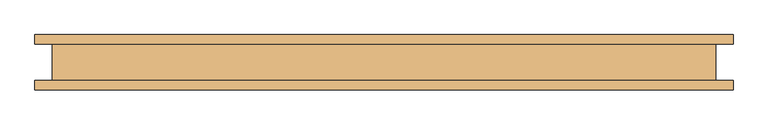
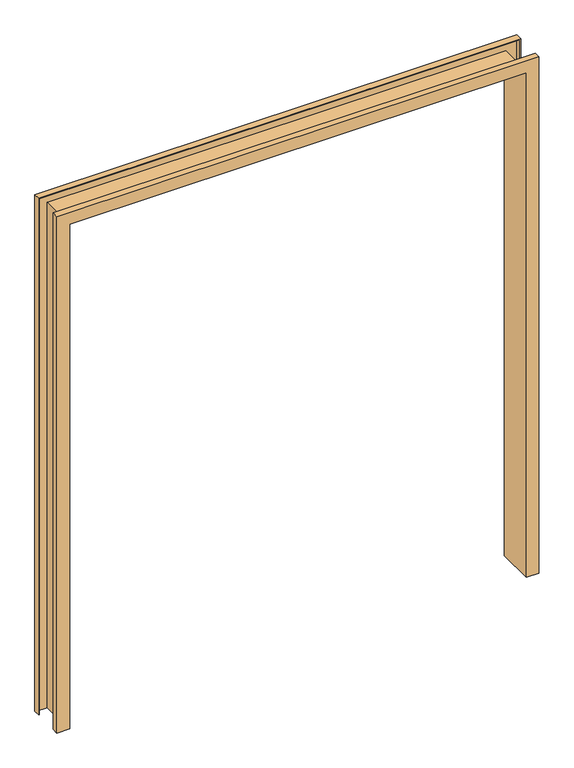
"""IFC4 building model written with IfcOpenShell, lengths in millimetres: door geometry."""

from ifc_helpers import new_model, si_unit, origin, place, context, project, spatial, faceted_brep, source, transform, mapped, element, save


def door_ae36ffec(model_context):
    return source(origin(), model_context, "Body", "Brep", [
        faceted_brep([(-914.4, -76.2, 0.0), (-965.2, -76.2, 0.0), (-965.2, -50.8, 0.0), (-962.025, -50.8, 0.0), (-962.025, -73.025, 0.0), (-917.575, -73.025, 0.0), (-917.575, 73.025, 0.0), (-962.025, 73.025, 0.0), (-962.025, 50.8, 0.0), (-965.2, 50.8, 0.0), (-965.2, 76.2, 0.0), (-914.4, 76.2, 0.0), (-914.4, -76.2, 2133.6), (914.4, -76.2, 2133.6), (914.4, -76.2, 0.0), (965.2, -76.2, 0.0), (965.2, -76.2, 2184.4), (-965.2, -76.2, 2184.4), (-965.2, -50.8, 2184.4), (965.2, -50.8, 2184.4), (965.2, -50.8, 0.0), (962.025, -50.8, 0.0), (962.025, -50.8, 2181.225), (-962.025, -50.8, 2181.225), (-962.025, -73.025, 2181.225), (962.025, -73.025, 2181.225), (962.025, -73.025, 0.0), (917.575, -73.025, 0.0), (917.575, -73.025, 2136.775), (-917.575, -73.025, 2136.775), (-917.575, 73.025, 2136.775), (917.575, 73.025, 2136.775), (917.575, 73.025, 0.0), (962.025, 73.025, 0.0), (962.025, 73.025, 2181.225), (-962.025, 73.025, 2181.225), (-962.025, 50.8, 2181.225), (962.025, 50.8, 2181.225), (962.025, 50.8, 0.0), (965.2, 50.8, 0.0), (965.2, 50.8, 2184.4), (-965.2, 50.8, 2184.4), (-965.2, 76.2, 2184.4), (965.2, 76.2, 2184.4), (965.2, 76.2, 0.0), (914.4, 76.2, 0.0), (914.4, 76.2, 2133.6), (-914.4, 76.2, 2133.6)], [[[0, 1, 2, 3, 4, 5, 6, 7, 8, 9, 10, 11]], [[1, 0, 12, 13, 14, 15, 16, 17]], [[2, 1, 17, 18]], [[3, 2, 18, 19, 20, 21, 22, 23]], [[4, 3, 23, 24]], [[5, 4, 24, 25, 26, 27, 28, 29]], [[6, 5, 29, 30]], [[7, 6, 30, 31, 32, 33, 34, 35]], [[8, 7, 35, 36]], [[9, 8, 36, 37, 38, 39, 40, 41]], [[10, 9, 41, 42]], [[11, 10, 42, 43, 44, 45, 46, 47]], [[0, 11, 47, 12]], [[13, 46, 45, 14]], [[14, 45, 44, 39, 38, 33, 32, 27, 26, 21, 20, 15]], [[19, 16, 15, 20]], [[25, 22, 21, 26]], [[31, 28, 27, 32]], [[37, 34, 33, 38]], [[43, 40, 39, 44]], [[18, 17, 16, 19]], [[24, 23, 22, 25]], [[30, 29, 28, 31]], [[36, 35, 34, 37]], [[42, 41, 40, 43]], [[12, 47, 46, 13]]]),
    ])


if __name__ == "__main__":
    model = new_model("IFC4")
    model_context = context("Model", 3, world=origin())
    ifc_project = project(units=[si_unit("LENGTHUNIT", "METRE", prefix="MILLI")], contexts=[model_context])
    site = spatial("IfcSite", under=ifc_project)
    building = spatial("IfcBuilding", under=site)
    placement = place(None, origin())
    door_shape = door_ae36ffec(model_context)
    element("IfcDoor", 1, at=placement, inside=building, context=model_context, shape_type="MappedRepresentation", body=[
        mapped(door_shape, transform((0.0, 0.0, 0.0), x_axis=(1.0, 0.0, 0.0), y_axis=(0.0, 1.0, 0.0), z_axis=(0.0, 0.0, 1.0))),
    ])
    save(model, "model.ifc")
